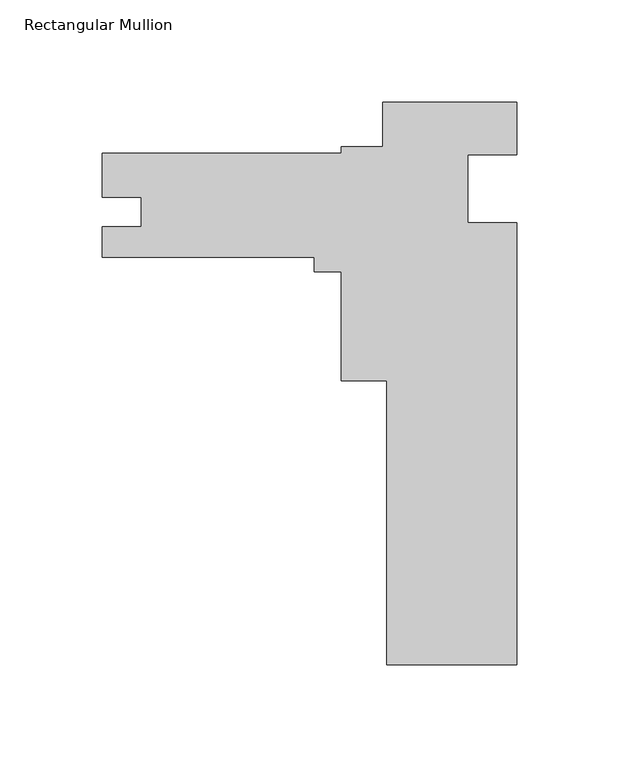
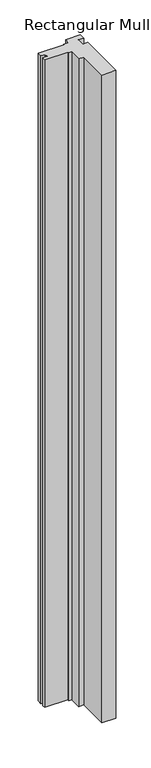
"""IFC4 building model written with IfcOpenShell, lengths in millimetres: member geometry, Rectangular Mullion."""

from ifc_helpers import new_model, si_unit, frame, origin, place, context, project, spatial, polyline, outline, extrude, source, transform, mapped, element, save


def rectangular_mullion_f659ff50(model_context):
    return source(origin(), model_context, "Body", "SweptSolid", [
        extrude(outline(polyline([(-63.5, -274.3465736), (-63.5, -135.8214381), (-85.725, -135.8214381), (-85.725, -82.5284903), (-98.9076, -82.5284903), (-98.9076, -75.4964381), (-202.3110013, -75.4964381), (-202.3110013, -60.3961381), (-183.2864013, -60.3961381), (-183.2864013, -46.0794392), (-202.311, -46.0794392), (-202.311, -24.6964381), (-85.725, -24.6964381), (-85.725, -21.5214381), (-65.3738318, -21.5214381), (-65.3738318, 0.2528264), (0.0, 0.2528264), (0.0, -25.2241628), (-23.7998, -25.2241628), (-23.7998, -58.4465736), (0.0, -58.4465736), (0.0, -274.3465736), (-63.5, -274.3465736)])), frame((0.0, 0.0, -3048.0), z_axis=(0.0, 0.0, 1.0), x_axis=(1.0, 0.0, 0.0)), (0.0, 0.0, 1.0), 3048.0),
    ])


if __name__ == "__main__":
    model = new_model("IFC4")
    model_context = context("Model", 3, world=origin())
    ifc_project = project(units=[si_unit("LENGTHUNIT", "METRE", prefix="MILLI")], contexts=[model_context])
    site = spatial("IfcSite", under=ifc_project)
    building = spatial("IfcBuilding", under=site)
    placement = place(None, origin())
    rectangular_mullion_shape = rectangular_mullion_f659ff50(model_context)
    element("IfcMember", 1, ObjectType="Rectangular Mullion", at=placement, inside=building, context=model_context, shape_type="MappedRepresentation", body=[
        mapped(rectangular_mullion_shape, transform((0.0, 0.0, 0.0), x_axis=(1.0, 0.0, 0.0), y_axis=(0.0, 1.0, 0.0), z_axis=(0.0, 0.0, 1.0))),
    ])
    save(model, "model.ifc")
